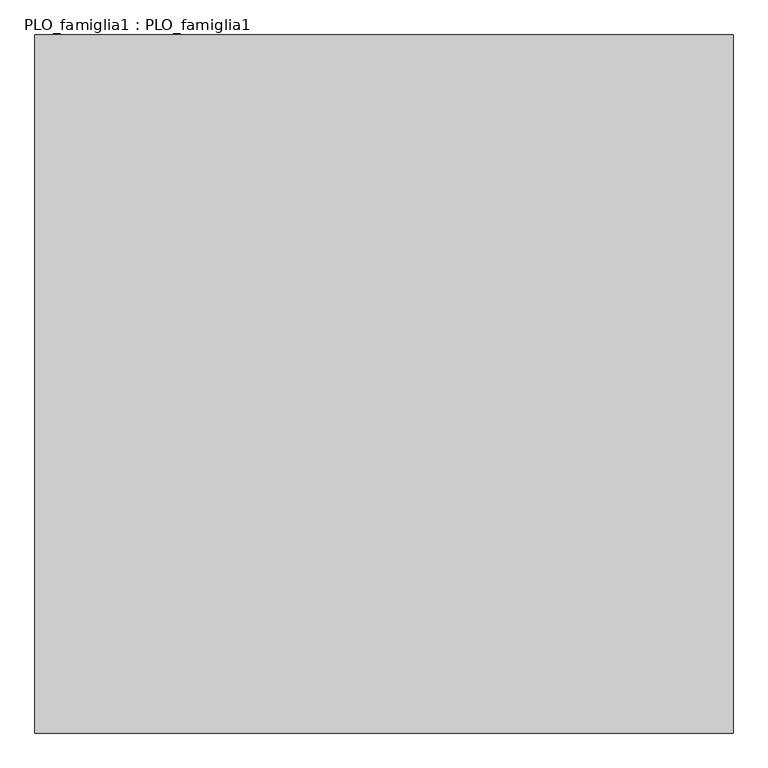
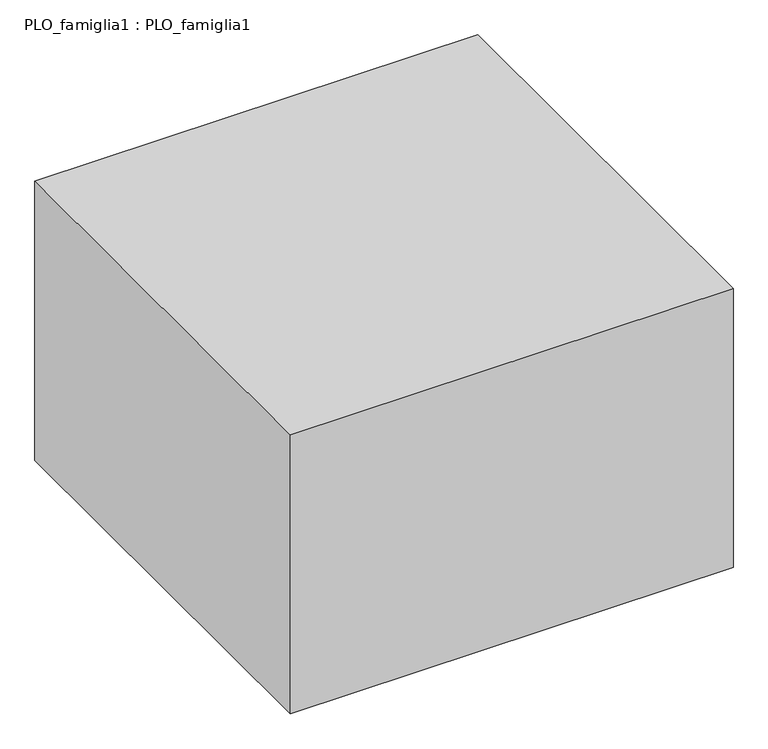
"""IFC4 building model written with IfcOpenShell, lengths in millimetres: proxy geometry, PLO_famiglia1 : PLO_famiglia1."""

import ifcopenshell
import ifcopenshell.guid

model = None  # the IFC model being written
_history = None  # IfcOwnerHistory: only IFC2X3 demands one
_inside = {}  # id of a spatial element -> (the spatial element, [elements in it])
_under = {}  # id of a project, library or spatial element -> (it, [spatial elements below it])
_declared = {}  # id of a project -> (the project, [libraries it declares])
_typed = {}  # id of a type object -> (the type object, [elements of that type])
_made_of = {}  # id of a material, layer set ... -> (it, [elements and type objects made of it])


def new_model(schema):
    """Start an empty IFC model of exactly this schema.

    Asked for "IFC4X3", IfcOpenShell would pick the latest addendum, in which some entities
    have other attributes; the version numbers below select the first issue.
    IFC2X3 requires an IfcOwnerHistory on every rooted entity: one is made here for all.
    """
    global model, _history
    if schema == "IFC4X3":
        model = ifcopenshell.file(schema_version=(4, 3, 0, 0))
    else:
        model = ifcopenshell.file(schema=schema)
    _inside.clear()
    _under.clear()
    _declared.clear()
    _typed.clear()
    _made_of.clear()
    _history = None
    if model.schema == "IFC2X3":
        org = make("IfcOrganization", Name="unknown")
        user = make(
            "IfcPersonAndOrganization",
            ThePerson=make("IfcPerson", FamilyName="unknown"),
            TheOrganization=org,
        )
        app = make(
            "IfcApplication",
            ApplicationDeveloper=org,
            Version="unknown",
            ApplicationFullName="unknown",
            ApplicationIdentifier="unknown",
        )
        _history = make(
            "IfcOwnerHistory",
            OwningUser=user,
            OwningApplication=app,
            ChangeAction="ADDED",
            CreationDate=0,
        )
    return model


def make(cls, **values):
    """One entity of the class cls with the attributes given. An attribute that is None is left unset."""
    return model.create_entity(
        cls, **{name: value for name, value in values.items() if value is not None}
    )


def rooted(cls, **values):
    """An entity with a GlobalId (a new one), such as an element, a storey or a relation."""
    return make(cls, GlobalId=ifcopenshell.guid.new(), OwnerHistory=_history, **values)


def si_unit(unit_type, name, prefix=None):
    """IfcSIUnit, for example si_unit("LENGTHUNIT", "METRE", prefix="MILLI")."""
    return make("IfcSIUnit", UnitType=unit_type, Prefix=prefix, Name=name)


def assignment(units):
    """IfcUnitAssignment: the units of a project."""
    return None if units is None else make("IfcUnitAssignment", Units=units)


def point(xyz):
    """IfcCartesianPoint."""
    return None if xyz is None else make("IfcCartesianPoint", Coordinates=xyz)


def direction(xyz):
    """IfcDirection."""
    return None if xyz is None else make("IfcDirection", DirectionRatios=xyz)


def frame(location, z_axis=None, x_axis=None):
    """IfcAxis2Placement3D, a coordinate frame: its origin and axes. An axis left out is left unset."""
    return make(
        "IfcAxis2Placement3D",
        Location=point(location),
        Axis=direction(z_axis),
        RefDirection=direction(x_axis),
    )


def origin():
    """The frame at (0, 0, 0) with its axes left unset."""
    return frame((0.0, 0.0, 0.0))


def origin_with_axes():
    """The frame at (0, 0, 0) with the z axis (0, 0, 1) and the x axis (1, 0, 0) written out."""
    return frame((0.0, 0.0, 0.0), z_axis=(0.0, 0.0, 1.0), x_axis=(1.0, 0.0, 0.0))


def place(relative_to, where):
    """IfcLocalPlacement: puts the frame where relative to a parent placement (None: the world)."""
    return make(
        "IfcLocalPlacement", PlacementRelTo=relative_to, RelativePlacement=where
    )


def context(
    kind, dimensions, precision=None, world=None, true_north=None, identifier=None
):
    """IfcGeometricRepresentationContext, for example the 3D "Model" context."""
    return make(
        "IfcGeometricRepresentationContext",
        ContextIdentifier=identifier,
        ContextType=kind,
        CoordinateSpaceDimension=dimensions,
        Precision=precision,
        WorldCoordinateSystem=world,
        TrueNorth=true_north,
    )


def project(units=None, contexts=None):
    """IfcProject with its units and contexts."""
    return rooted(
        "IfcProject",
        Name="project",
        RepresentationContexts=contexts,
        UnitsInContext=assignment(units),
    )


def spatial(cls, under=None, at=None, **own):
    """A site, building, storey or space (cls), placed at a placement, below another one or the project."""
    s = rooted(cls, ObjectPlacement=at, **own)
    if under is not None:
        _under.setdefault(under.id(), (under, []))[1].append(s)
    return s


def polyline(points):
    """IfcPolyline through the points."""
    return make("IfcPolyline", Points=[point(p) for p in points])


def outline(outer, holes=None, kind="AREA"):
    """IfcArbitraryClosedProfileDef: a profile drawn as a closed curve; with holes, ...WithVoids."""
    if holes is None:
        return make("IfcArbitraryClosedProfileDef", ProfileType=kind, OuterCurve=outer)
    return make(
        "IfcArbitraryProfileDefWithVoids",
        ProfileType=kind,
        OuterCurve=outer,
        InnerCurves=holes,
    )


def extrude(swept, where, along, depth):
    """IfcExtrudedAreaSolid: the profile swept, set in the frame where, extruded along a direction by depth."""
    return make(
        "IfcExtrudedAreaSolid",
        SweptArea=swept,
        Position=where,
        ExtrudedDirection=direction(along),
        Depth=depth,
    )


def shape(context_of_items, identifier, shape_type, items):
    """IfcShapeRepresentation: the items that make up one representation, for example the "Body"."""
    return make(
        "IfcShapeRepresentation",
        ContextOfItems=context_of_items,
        RepresentationIdentifier=identifier,
        RepresentationType=shape_type,
        Items=items,
    )


def source(mapping_origin, context_of_items, identifier, shape_type, items):
    """IfcRepresentationMap: a shape defined once, which mapped items show again and again."""
    return make(
        "IfcRepresentationMap",
        MappingOrigin=mapping_origin,
        MappedRepresentation=shape(context_of_items, identifier, shape_type, items),
    )


def transform(
    local_origin,
    x_axis=None,
    y_axis=None,
    z_axis=None,
    scale=None,
    scale2=None,
    scale3=None,
    uniform=True,
):
    """IfcCartesianTransformationOperator3D, or its non-uniform kind. x_axis, y_axis, z_axis: its Axis1, 2, 3."""
    if uniform:
        return make(
            "IfcCartesianTransformationOperator3D",
            Axis1=direction(x_axis),
            Axis2=direction(y_axis),
            LocalOrigin=point(local_origin),
            Scale=scale,
            Axis3=direction(z_axis),
        )
    return make(
        "IfcCartesianTransformationOperator3DnonUniform",
        Axis1=direction(x_axis),
        Axis2=direction(y_axis),
        LocalOrigin=point(local_origin),
        Scale=scale,
        Axis3=direction(z_axis),
        Scale2=scale2,
        Scale3=scale3,
    )


def mapped(mapping_source, mapping_target):
    """IfcMappedItem: shows the shape of a source again, moved by a transform."""
    return make(
        "IfcMappedItem", MappingSource=mapping_source, MappingTarget=mapping_target
    )


def made_of(thing, what):
    """Note that an element or type object is made of a material, layer set ...; save() writes the relation."""
    if what is not None:
        _made_of.setdefault(what.id(), (what, []))[1].append(thing)
    return thing


def element(
    cls,
    number,
    at=None,
    inside=None,
    cuts=None,
    type_object=None,
    material=None,
    context=None,
    identifier="Body",
    shape_type=None,
    held_by="IfcProductDefinitionShape",
    body=None,
    shapes=None,
    **own,
):
    """One element of the class cls, such as IfcWall. Its Tag is "e" and its number.

    at: its placement. inside: the storey or other place that contains it. cuts: it is an
    opening in that element (IfcRelVoidsElement). A single representation is given by context,
    identifier, shape_type and body (its items); several are given by shapes. held_by: the class
    of the entity that holds the representations. save() writes the other relations.
    """
    e = rooted(cls, Tag="e%d" % number, ObjectPlacement=at, **own)
    if body is not None:
        shapes = [shape(context, identifier, shape_type, body)]
    if shapes is not None:
        e.Representation = make(held_by, Representations=shapes)
    if inside is not None:
        _inside.setdefault(inside.id(), (inside, []))[1].append(e)
    if cuts is not None:
        rooted(
            "IfcRelVoidsElement", RelatingBuildingElement=cuts, RelatedOpeningElement=e
        )
    if type_object is not None:
        _typed.setdefault(type_object.id(), (type_object, []))[1].append(e)
    return made_of(e, material)


def aggregate(whole, parts):
    """IfcRelAggregates: a whole, such as a stair, and the parts it consists of."""
    return rooted("IfcRelAggregates", RelatingObject=whole, RelatedObjects=parts)


def save(model, path):
    """Write the relations noted so far, then the file.

    IfcRelAggregates (storeys below a building ...), IfcRelContainedInSpatialStructure (elements
    in a storey), IfcRelDefinesByType, IfcRelAssociatesMaterial and IfcRelDeclares: one each for
    every whole, place, type object, material and project.
    """
    for whole, parts in _under.values():
        aggregate(whole, parts)
    for where, things in _inside.values():
        rooted(
            "IfcRelContainedInSpatialStructure",
            RelatedElements=things,
            RelatingStructure=where,
        )
    for kind, things in _typed.values():
        rooted("IfcRelDefinesByType", RelatedObjects=things, RelatingType=kind)
    for what, things in _made_of.values():
        rooted("IfcRelAssociatesMaterial", RelatedObjects=things, RelatingMaterial=what)
    for by, libraries in _declared.values():
        rooted("IfcRelDeclares", RelatingContext=by, RelatedDefinitions=libraries)
    model.write(path)


def plo_famiglia1_plo_famiglia1_c1488e3c(model_context):
    return source(origin(), model_context, "Body", "SweptSolid", [
        extrude(outline(polyline([(9000.0, 0.0), (9000.0, -9000.0), (0.0, -9000.0), (0.0, 0.0), (9000.0, 0.0)])), origin_with_axes(), (0.0, 0.0, 1.0), 6000.0),
    ])


if __name__ == "__main__":
    model = new_model("IFC4")
    model_context = context("Model", 3, world=origin())
    ifc_project = project(units=[si_unit("LENGTHUNIT", "METRE", prefix="MILLI")], contexts=[model_context])
    site = spatial("IfcSite", under=ifc_project)
    building = spatial("IfcBuilding", under=site)
    placement = place(None, origin())
    plo_famiglia1_plo_famiglia1_shape = plo_famiglia1_plo_famiglia1_c1488e3c(model_context)
    element("IfcBuildingElementProxy", 1, Name="PLO_famiglia1 : PLO_famiglia1", ObjectType="PLO_famiglia1 : PLO_famiglia1", at=placement, inside=building, context=model_context, shape_type="MappedRepresentation", body=[
        mapped(plo_famiglia1_plo_famiglia1_shape, transform((0.0, 0.0, 0.0), x_axis=(1.0, 0.0, 0.0), y_axis=(0.0, 1.0, 0.0), z_axis=(0.0, 0.0, 1.0))),
    ])
    save(model, "model.ifc")
